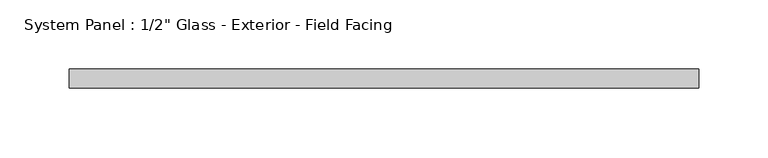
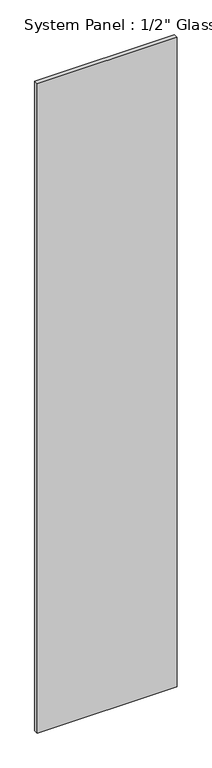
"""IFC4 building model written with IfcOpenShell, lengths in millimetres: plate geometry."""

from ifc_helpers import new_model, si_unit, origin, origin_with_axes, place, context, project, spatial, polyline, outline, extrude, source, transform, mapped, element, save


def plate_c65b580c(model_context):
    return source(origin(), model_context, "Body", "SweptSolid", [
        extrude(outline(polyline([(226.5831804, -11.55), (-226.5831804, -11.55), (-226.5831804, 1.95), (226.5831804, 1.95), (226.5831804, -11.55)])), origin_with_axes(), (0.0, 0.0, 1.0), 2223.15),
    ])


if __name__ == "__main__":
    model = new_model("IFC4")
    model_context = context("Model", 3, world=origin())
    ifc_project = project(units=[si_unit("LENGTHUNIT", "METRE", prefix="MILLI")], contexts=[model_context])
    site = spatial("IfcSite", under=ifc_project)
    building = spatial("IfcBuilding", under=site)
    placement = place(None, origin())
    plate_shape = plate_c65b580c(model_context)
    element("IfcPlate", 1, ObjectType="System Panel : 1/2\" Glass - Exterior - Field Facing", at=placement, inside=building, context=model_context, shape_type="MappedRepresentation", body=[
        mapped(plate_shape, transform((0.0, 0.0, 0.0), x_axis=(1.0, 0.0, 0.0), y_axis=(0.0, 1.0, 0.0), z_axis=(0.0, 0.0, 1.0))),
    ])
    save(model, "model.ifc")
